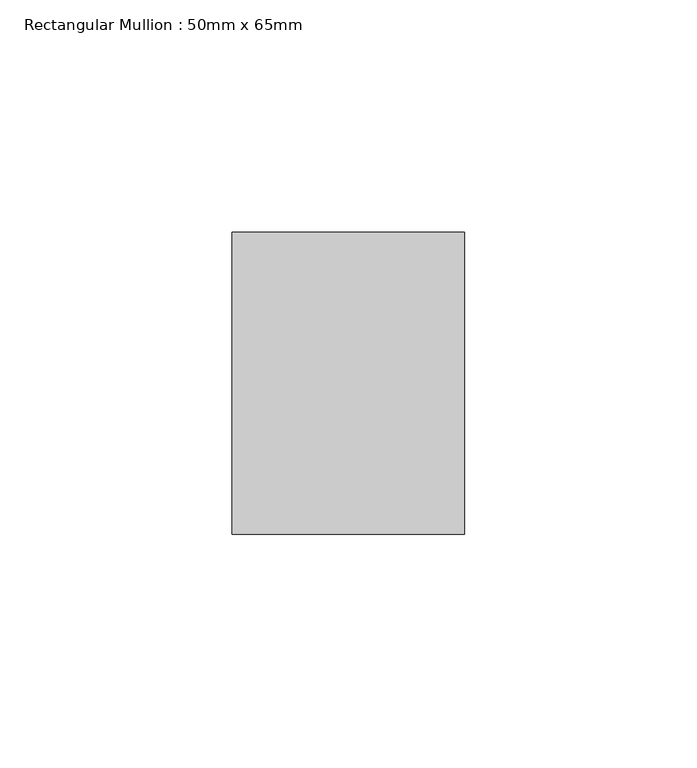
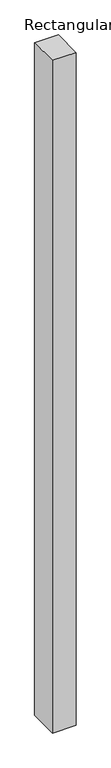
"""IFC4 building model written with IfcOpenShell, lengths in millimetres: member geometry, Rectangular Mullion : 50mm x 65mm."""

from ifc_helpers import new_model, si_unit, origin, place, context, project, spatial, faceted_brep, source, transform, mapped, element, save


def rectangular_mullion_50mm_x_65mm_08bc49a8(model_context):
    return source(origin(), model_context, "Body", "Brep", [
        faceted_brep([(-25.0, 32.5, -0.0980885), (25.0, 32.5, -0.0980887), (25.0, 32.5, -1499.8164145), (-25.0, 32.5, -1499.8164151), (-25.0, -32.5, 0.0980887), (-25.0, -32.5, -1500.1835593), (25.0, -32.5, 0.0980885), (25.0, -32.5, -1500.1835587)], [[[0, 1, 2, 3]], [[4, 0, 3, 5]], [[6, 4, 5, 7]], [[1, 6, 7, 2]], [[1, 0, 4, 6]], [[2, 7, 5, 3]]]),
    ])


if __name__ == "__main__":
    model = new_model("IFC4")
    model_context = context("Model", 3, world=origin())
    ifc_project = project(units=[si_unit("LENGTHUNIT", "METRE", prefix="MILLI")], contexts=[model_context])
    site = spatial("IfcSite", under=ifc_project)
    building = spatial("IfcBuilding", under=site)
    placement = place(None, origin())
    rectangular_mullion_50mm_x_65mm_shape = rectangular_mullion_50mm_x_65mm_08bc49a8(model_context)
    element("IfcMember", 1, ObjectType="Rectangular Mullion : 50mm x 65mm", at=placement, inside=building, context=model_context, shape_type="MappedRepresentation", body=[
        mapped(rectangular_mullion_50mm_x_65mm_shape, transform((0.0, 0.0, 0.0), x_axis=(1.0, 0.0, 0.0), y_axis=(0.0, 1.0, 0.0), z_axis=(0.0, 0.0, 1.0))),
    ])
    save(model, "model.ifc")
